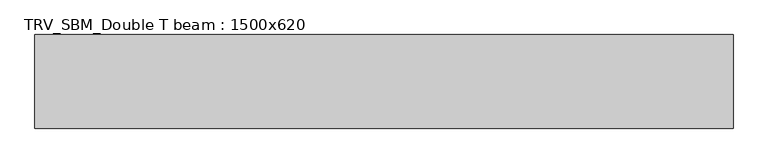
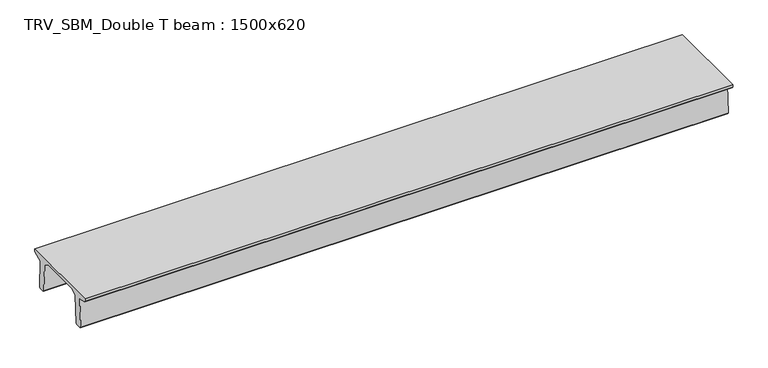
"""IFC4 building model written with IfcOpenShell, lengths in millimetres: beam geometry, TRV_SBM_Double T beam : 1500x620."""

from ifc_helpers import new_model, si_unit, frame, origin, place, context, project, spatial, polyline, outline, extrude, source, transform, mapped, element, save


def trv_sbm_double_t_beam_1500x620_f321939b(model_context):
    return source(origin(), model_context, "Body", "SweptSolid", [
        extrude(outline(polyline([(-765.0, 215.0), (-765.0, 260.0), (735.0, 260.0), (735.0, 215.0), (728.2094488, 201.315559), (578.0626443, 140.6523122), (594.8277662, -339.4379646), (574.2657308, -360.0), (484.2657308, -360.0), (464.786332, -340.5206011), (447.8600761, 144.18395), (338.3237744, 210.0), (-367.4555014, 210.0), (-476.5389732, 151.9992892), (-507.0080378, -339.3850967), (-527.622941, -360.0), (-615.122941, -360.0), (-637.1143055, -338.0086356), (-606.1572167, 162.687806), (-761.3068466, 204.260024), (-765.0, 215.0)])), frame((-5591.5, 0.0, 0.0), z_axis=(1.0, 0.0, 0.0), x_axis=(0.0, 1.0, 0.0)), (0.0, 0.0, 1.0), 11183.0),
    ])


if __name__ == "__main__":
    model = new_model("IFC4")
    model_context = context("Model", 3, world=origin())
    ifc_project = project(units=[si_unit("LENGTHUNIT", "METRE", prefix="MILLI")], contexts=[model_context])
    site = spatial("IfcSite", under=ifc_project)
    building = spatial("IfcBuilding", under=site)
    placement = place(None, origin())
    trv_sbm_double_t_beam_1500x620_shape = trv_sbm_double_t_beam_1500x620_f321939b(model_context)
    element("IfcBeam", 1, ObjectType="TRV_SBM_Double T beam : 1500x620", at=placement, inside=building, context=model_context, shape_type="MappedRepresentation", body=[
        mapped(trv_sbm_double_t_beam_1500x620_shape, transform((0.0, 0.0, 0.0), x_axis=(1.0, 0.0, 0.0), y_axis=(0.0, 1.0, 0.0), z_axis=(0.0, 0.0, 1.0))),
    ])
    save(model, "model.ifc")
